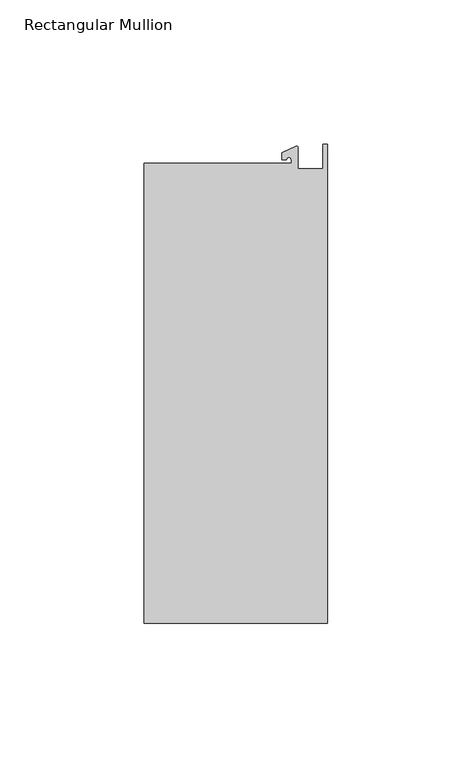
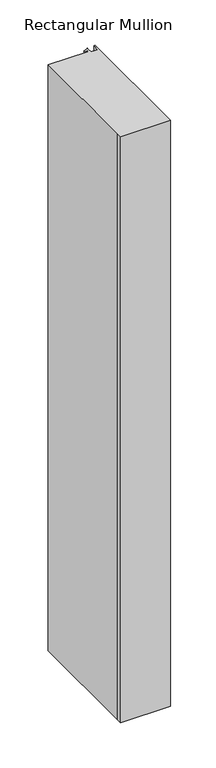
"""IFC4 building model written with IfcOpenShell, lengths in millimetres: member geometry, Rectangular Mullion."""

from ifc_helpers import new_model, si_unit, point, frame, frame_2d, origin, place, context, project, spatial, polyline, circle_curve, trimmed, segment, composite_curve, outline, extrude, source, transform, mapped, element, save


def rectangular_mullion_e409ad12(model_context):
    return source(origin(), model_context, "Body", "SweptSolid", [
        extrude(outline(composite_curve([segment(polyline([(-12.6173814, 25.796875), (-12.6173814, 27.0827507)]), True, "CONTINUOUS"), segment(trimmed(circle_curve(frame_2d((-13.4111314, 27.0827507)), 0.79375), [point((-12.6173814, 27.0827507))], [point((-14.2048814, 27.0827507))], True, "CARTESIAN"), True, "CONTINUOUS"), segment(polyline([(-14.2048814, 27.0827507), (-15.7923814, 27.0827507), (-15.7923814, 29.44495), (-10.9524715, 31.7018371)]), True, "CONTINUOUS"), segment(trimmed(circle_curve(frame_2d((-10.7377814, 31.2414327)), 0.508), [point((-10.9524715, 31.7018371))], [point((-10.2297814, 31.2414327))], False, "CARTESIAN"), True, "CONTINUOUS"), segment(polyline([(-10.2297814, 31.2414327), (-10.2297814, 23.9227662), (-1.7144124, 23.9227662), (-1.5658966, 32.288874), (0.0, 32.288874), (0.0, -133.34365), (-63.5, -133.34365), (-63.5, -125.8081374), (-63.5, 25.796875), (-12.6173814, 25.796875)]), True, "CONTINUOUS")], self_intersect=False)), frame((0.0, 0.0, -787.4), z_axis=(0.0, 0.0, 1.0), x_axis=(1.0, 0.0, 0.0)), (0.0, 0.0, 1.0), 787.4),
    ])


if __name__ == "__main__":
    model = new_model("IFC4")
    model_context = context("Model", 3, world=origin())
    ifc_project = project(units=[si_unit("LENGTHUNIT", "METRE", prefix="MILLI")], contexts=[model_context])
    site = spatial("IfcSite", under=ifc_project)
    building = spatial("IfcBuilding", under=site)
    placement = place(None, origin())
    rectangular_mullion_shape = rectangular_mullion_e409ad12(model_context)
    element("IfcMember", 1, ObjectType="Rectangular Mullion", at=placement, inside=building, context=model_context, shape_type="MappedRepresentation", body=[
        mapped(rectangular_mullion_shape, transform((0.0, 0.0, 0.0), x_axis=(1.0, 0.0, 0.0), y_axis=(0.0, 1.0, 0.0), z_axis=(0.0, 0.0, 1.0))),
    ])
    save(model, "model.ifc")
